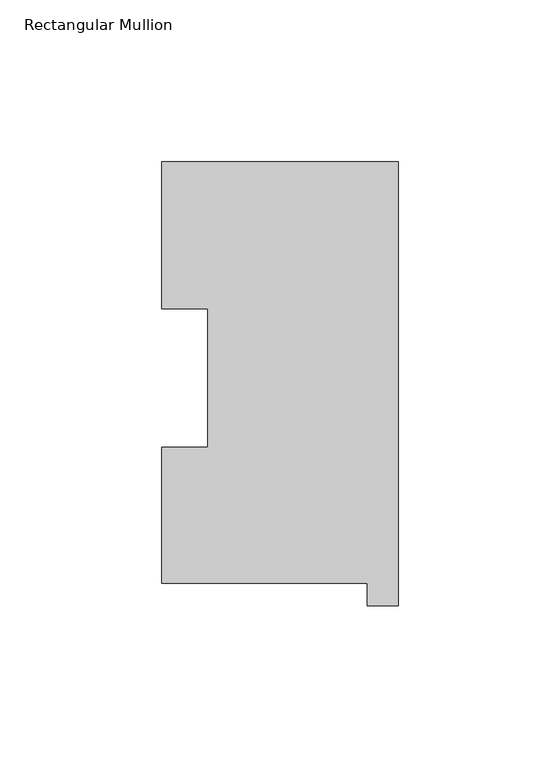
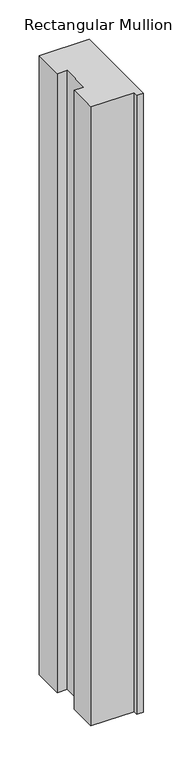
"""IFC4 building model written with IfcOpenShell, lengths in millimetres: member geometry, Rectangular Mullion."""

from ifc_helpers import new_model, si_unit, frame, origin, place, context, project, spatial, polyline, outline, extrude, source, transform, mapped, element, save


def rectangular_mullion_2842c7b2(model_context):
    return source(origin(), model_context, "Body", "SweptSolid", [
        extrude(outline(polyline([(-9.525, 0.04445), (-73.025, 0.04445), (-73.025, 42.08145), (-58.7502, 42.08145), (-58.7502, 84.93125), (-73.025, 84.93125), (-73.025, 130.34645), (0.0, 130.34645), (0.0, -6.86435), (-9.525, -6.86435), (-9.525, 0.04445)])), frame((0.0, 0.0, -958.85), z_axis=(0.0, 0.0, 1.0), x_axis=(1.0, 0.0, 0.0)), (0.0, 0.0, 1.0), 958.85),
    ])


if __name__ == "__main__":
    model = new_model("IFC4")
    model_context = context("Model", 3, world=origin())
    ifc_project = project(units=[si_unit("LENGTHUNIT", "METRE", prefix="MILLI")], contexts=[model_context])
    site = spatial("IfcSite", under=ifc_project)
    building = spatial("IfcBuilding", under=site)
    placement = place(None, origin())
    rectangular_mullion_shape = rectangular_mullion_2842c7b2(model_context)
    element("IfcMember", 1, ObjectType="Rectangular Mullion", at=placement, inside=building, context=model_context, shape_type="MappedRepresentation", body=[
        mapped(rectangular_mullion_shape, transform((0.0, 0.0, 0.0), x_axis=(1.0, 0.0, 0.0), y_axis=(0.0, 1.0, 0.0), z_axis=(0.0, 0.0, 1.0))),
    ])
    save(model, "model.ifc")
